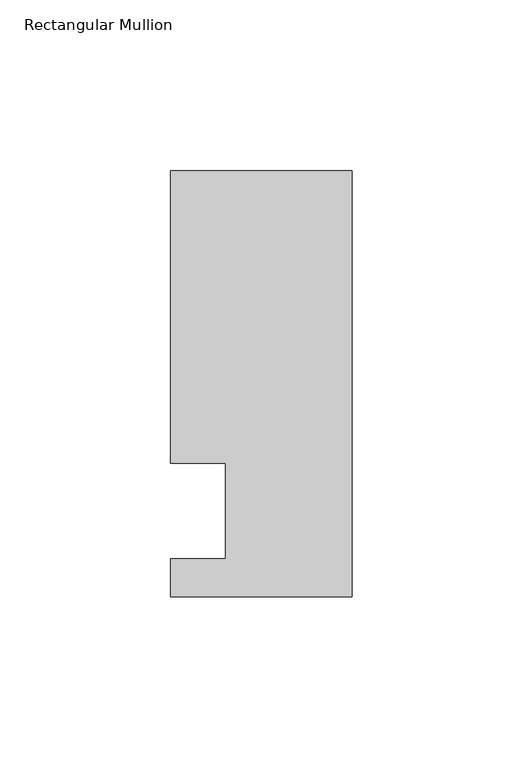
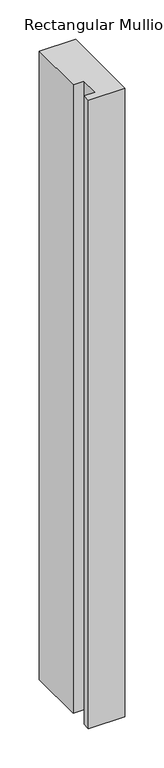
"""IFC4 building model written with IfcOpenShell, lengths in millimetres: member geometry, Rectangular Mullion."""

from ifc_helpers import new_model, si_unit, frame, origin, place, context, project, spatial, polyline, outline, extrude, source, transform, mapped, element, save


def rectangular_mullion_dd813a86(model_context):
    return source(origin(), model_context, "Body", "SweptSolid", [
        extrude(outline(polyline([(0.0, -25.0), (-53.0, -25.0), (-53.0, -14.0), (-37.0, -14.0), (-37.0, 14.0), (-53.0, 14.0), (-53.0, 99.5), (0.0, 99.5), (0.0, -25.0)])), frame((0.0, 0.0, -973.9398405), z_axis=(0.0, 0.0, 1.0), x_axis=(1.0, 0.0, 0.0)), (0.0, 0.0, 1.0), 973.9398405),
    ])


if __name__ == "__main__":
    model = new_model("IFC4")
    model_context = context("Model", 3, world=origin())
    ifc_project = project(units=[si_unit("LENGTHUNIT", "METRE", prefix="MILLI")], contexts=[model_context])
    site = spatial("IfcSite", under=ifc_project)
    building = spatial("IfcBuilding", under=site)
    placement = place(None, origin())
    rectangular_mullion_shape = rectangular_mullion_dd813a86(model_context)
    element("IfcMember", 1, ObjectType="Rectangular Mullion", at=placement, inside=building, context=model_context, shape_type="MappedRepresentation", body=[
        mapped(rectangular_mullion_shape, transform((0.0, 0.0, 0.0), x_axis=(1.0, 0.0, 0.0), y_axis=(0.0, 1.0, 0.0), z_axis=(0.0, 0.0, 1.0))),
    ])
    save(model, "model.ifc")
